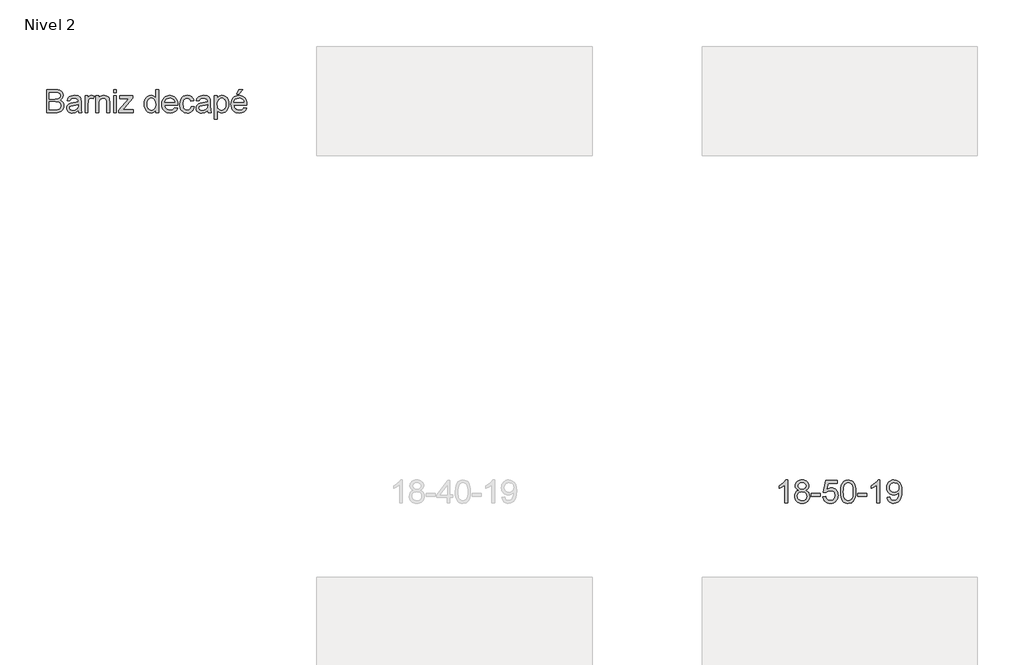
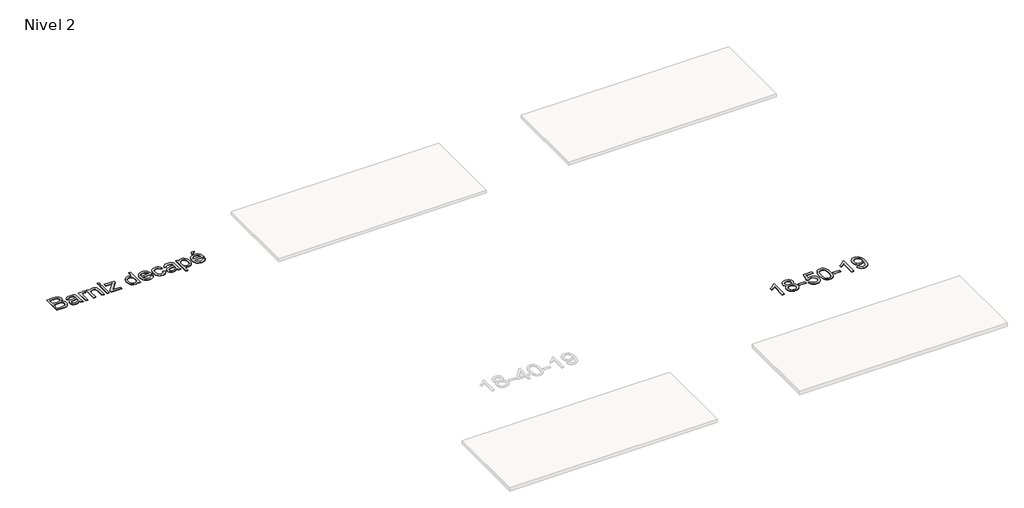
# One storey, part 14 of 51: 2 proxies.
"""IFC4 building model written with IfcOpenShell, lengths in millimetres."""

import ifcopenshell
import ifcopenshell.guid

model = None  # the IFC model being written
_history = None  # IfcOwnerHistory: only IFC2X3 demands one
_inside = {}  # id of a spatial element -> (the spatial element, [elements in it])
_under = {}  # id of a project, library or spatial element -> (it, [spatial elements below it])
_declared = {}  # id of a project -> (the project, [libraries it declares])
_typed = {}  # id of a type object -> (the type object, [elements of that type])
_made_of = {}  # id of a material, layer set ... -> (it, [elements and type objects made of it])


def new_model(schema):
    """Start an empty IFC model of exactly this schema.

    Asked for "IFC4X3", IfcOpenShell would pick the latest addendum, in which some entities
    have other attributes; the version numbers below select the first issue.
    IFC2X3 requires an IfcOwnerHistory on every rooted entity: one is made here for all.
    """
    global model, _history
    if schema == "IFC4X3":
        model = ifcopenshell.file(schema_version=(4, 3, 0, 0))
    else:
        model = ifcopenshell.file(schema=schema)
    _inside.clear()
    _under.clear()
    _declared.clear()
    _typed.clear()
    _made_of.clear()
    _history = None
    if model.schema == "IFC2X3":
        org = make("IfcOrganization", Name="unknown")
        user = make(
            "IfcPersonAndOrganization",
            ThePerson=make("IfcPerson", FamilyName="unknown"),
            TheOrganization=org,
        )
        app = make(
            "IfcApplication",
            ApplicationDeveloper=org,
            Version="unknown",
            ApplicationFullName="unknown",
            ApplicationIdentifier="unknown",
        )
        _history = make(
            "IfcOwnerHistory",
            OwningUser=user,
            OwningApplication=app,
            ChangeAction="ADDED",
            CreationDate=0,
        )
    return model


def make(cls, **values):
    """One entity of the class cls with the attributes given. An attribute that is None is left unset."""
    return model.create_entity(
        cls, **{name: value for name, value in values.items() if value is not None}
    )


def rooted(cls, **values):
    """An entity with a GlobalId (a new one), such as an element, a storey or a relation."""
    return make(cls, GlobalId=ifcopenshell.guid.new(), OwnerHistory=_history, **values)


def si_unit(unit_type, name, prefix=None):
    """IfcSIUnit, for example si_unit("LENGTHUNIT", "METRE", prefix="MILLI")."""
    return make("IfcSIUnit", UnitType=unit_type, Prefix=prefix, Name=name)


def assignment(units):
    """IfcUnitAssignment: the units of a project."""
    return None if units is None else make("IfcUnitAssignment", Units=units)


def point(xyz):
    """IfcCartesianPoint."""
    return None if xyz is None else make("IfcCartesianPoint", Coordinates=xyz)


def direction(xyz):
    """IfcDirection."""
    return None if xyz is None else make("IfcDirection", DirectionRatios=xyz)


def frame(location, z_axis=None, x_axis=None):
    """IfcAxis2Placement3D, a coordinate frame: its origin and axes. An axis left out is left unset."""
    return make(
        "IfcAxis2Placement3D",
        Location=point(location),
        Axis=direction(z_axis),
        RefDirection=direction(x_axis),
    )


def origin():
    """The frame at (0, 0, 0) with its axes left unset."""
    return frame((0.0, 0.0, 0.0))


def place(relative_to, where):
    """IfcLocalPlacement: puts the frame where relative to a parent placement (None: the world)."""
    return make(
        "IfcLocalPlacement", PlacementRelTo=relative_to, RelativePlacement=where
    )


def context(
    kind, dimensions, precision=None, world=None, true_north=None, identifier=None
):
    """IfcGeometricRepresentationContext, for example the 3D "Model" context."""
    return make(
        "IfcGeometricRepresentationContext",
        ContextIdentifier=identifier,
        ContextType=kind,
        CoordinateSpaceDimension=dimensions,
        Precision=precision,
        WorldCoordinateSystem=world,
        TrueNorth=true_north,
    )


def project(units=None, contexts=None):
    """IfcProject with its units and contexts."""
    return rooted(
        "IfcProject",
        Name="project",
        RepresentationContexts=contexts,
        UnitsInContext=assignment(units),
    )


def spatial(cls, under=None, at=None, **own):
    """A site, building, storey or space (cls), placed at a placement, below another one or the project."""
    s = rooted(cls, ObjectPlacement=at, **own)
    if under is not None:
        _under.setdefault(under.id(), (under, []))[1].append(s)
    return s


def polyline(points):
    """IfcPolyline through the points."""
    return make("IfcPolyline", Points=[point(p) for p in points])


def outline(outer, holes=None, kind="AREA"):
    """IfcArbitraryClosedProfileDef: a profile drawn as a closed curve; with holes, ...WithVoids."""
    if holes is None:
        return make("IfcArbitraryClosedProfileDef", ProfileType=kind, OuterCurve=outer)
    return make(
        "IfcArbitraryProfileDefWithVoids",
        ProfileType=kind,
        OuterCurve=outer,
        InnerCurves=holes,
    )


def extrude(swept, where, along, depth):
    """IfcExtrudedAreaSolid: the profile swept, set in the frame where, extruded along a direction by depth."""
    return make(
        "IfcExtrudedAreaSolid",
        SweptArea=swept,
        Position=where,
        ExtrudedDirection=direction(along),
        Depth=depth,
    )


def shape(context_of_items, identifier, shape_type, items):
    """IfcShapeRepresentation: the items that make up one representation, for example the "Body"."""
    return make(
        "IfcShapeRepresentation",
        ContextOfItems=context_of_items,
        RepresentationIdentifier=identifier,
        RepresentationType=shape_type,
        Items=items,
    )


def made_of(thing, what):
    """Note that an element or type object is made of a material, layer set ...; save() writes the relation."""
    if what is not None:
        _made_of.setdefault(what.id(), (what, []))[1].append(thing)
    return thing


def element(
    cls,
    number,
    at=None,
    inside=None,
    cuts=None,
    type_object=None,
    material=None,
    context=None,
    identifier="Body",
    shape_type=None,
    held_by="IfcProductDefinitionShape",
    body=None,
    shapes=None,
    **own,
):
    """One element of the class cls, such as IfcWall. Its Tag is "e" and its number.

    at: its placement. inside: the storey or other place that contains it. cuts: it is an
    opening in that element (IfcRelVoidsElement). A single representation is given by context,
    identifier, shape_type and body (its items); several are given by shapes. held_by: the class
    of the entity that holds the representations. save() writes the other relations.
    """
    e = rooted(cls, Tag="e%d" % number, ObjectPlacement=at, **own)
    if body is not None:
        shapes = [shape(context, identifier, shape_type, body)]
    if shapes is not None:
        e.Representation = make(held_by, Representations=shapes)
    if inside is not None:
        _inside.setdefault(inside.id(), (inside, []))[1].append(e)
    if cuts is not None:
        rooted(
            "IfcRelVoidsElement", RelatingBuildingElement=cuts, RelatedOpeningElement=e
        )
    if type_object is not None:
        _typed.setdefault(type_object.id(), (type_object, []))[1].append(e)
    return made_of(e, material)


def aggregate(whole, parts):
    """IfcRelAggregates: a whole, such as a stair, and the parts it consists of."""
    return rooted("IfcRelAggregates", RelatingObject=whole, RelatedObjects=parts)


def save(model, path):
    """Write the relations noted so far, then the file.

    IfcRelAggregates (storeys below a building ...), IfcRelContainedInSpatialStructure (elements
    in a storey), IfcRelDefinesByType, IfcRelAssociatesMaterial and IfcRelDeclares: one each for
    every whole, place, type object, material and project.
    """
    for whole, parts in _under.values():
        aggregate(whole, parts)
    for where, things in _inside.values():
        rooted(
            "IfcRelContainedInSpatialStructure",
            RelatedElements=things,
            RelatingStructure=where,
        )
    for kind, things in _typed.values():
        rooted("IfcRelDefinesByType", RelatedObjects=things, RelatingType=kind)
    for what, things in _made_of.values():
        rooted("IfcRelAssociatesMaterial", RelatedObjects=things, RelatingMaterial=what)
    for by, libraries in _declared.values():
        rooted("IfcRelDeclares", RelatingContext=by, RelatedDefinitions=libraries)
    model.write(path)


model = new_model("IFC4")

# Units and contexts
model_context = context("Model", 3, world=origin())
ifc_project = project(units=[si_unit("LENGTHUNIT", "METRE", prefix="MILLI")], contexts=[model_context])

# Site, building, storey
site = spatial("IfcSite", under=ifc_project)
building = spatial("IfcBuilding", under=site)
storey = spatial("IfcBuildingStorey", under=building, Name="Nivel 2", Elevation=3000.0)

# Proxies
placement = place(None, origin())
element("IfcBuildingElementProxy", 1, Name="Texto de modelo 1", ObjectType="Texto de modelo 1", at=placement, inside=storey, context=model_context, shape_type="SweptSolid", body=[
    extrude(outline(polyline([(-14807.4966963, -9438.7825352), (-14807.4966963, -9036.9572946), (-14654.1634807, -9036.9572946), (-14611.9919413, -9039.9126133), (-14579.0665027, -9048.7785694), (-14553.8297979, -9063.7758921), (-14534.7244596, -9085.1253105), (-14522.6947183, -9110.2393881), (-14518.6848046, -9136.530688), (-14522.0570562, -9160.7250605), (-14532.1738111, -9183.4724306), (-14549.1086456, -9203.3748465), (-14572.9351361, -9219.0343568), (-14544.4733324, -9233.8967894), (-14523.4427451, -9256.5092694), (-14510.4565106, -9285.3757432), (-14506.1277658, -9319.0001576), (-14509.0830845, -9347.0205029), (-14517.9490406, -9373.0052345), (-14531.1805297, -9395.1026797), (-14547.2324474, -9411.4611657), (-14566.8896087, -9423.306966), (-14590.9368284, -9431.8663537), (-14620.1589216, -9437.0534899), (-14655.3407031, -9438.7825352), (-14807.4966963, -9438.7825352)]), holes=[polyline([(-14757.2685412, -9200.1987986), (-14665.5432971, -9200.1987986), (-14611.9796786, -9195.8823166), (-14593.2299595, -9188.4388375), (-14579.7532158, -9177.2920131), (-14571.6230237, -9162.6135215), (-14568.9129597, -9144.575041), (-14571.4390827, -9127.063858), (-14579.0174518, -9111.8090179), (-14591.3047104, -9099.901904), (-14607.9575021, -9092.4338995), (-14633.513038, -9088.4975622), (-14672.5085295, -9087.1854497), (-14757.2685412, -9087.1854497), (-14757.2685412, -9200.1987986)]), polyline([(-14757.2685412, -9388.5543802), (-14654.2615825, -9388.5543802), (-14616.9828737, -9386.5923429), (-14585.443124, -9375.6539849), (-14573.8671039, -9366.2239431), (-14564.5474267, -9353.3358105), (-14558.4037973, -9337.5659356), (-14556.3559209, -9319.4906669), (-14558.7594166, -9298.4968677), (-14565.9699037, -9280.4461245), (-14578.5637307, -9266.3317186), (-14597.117246, -9257.1469315), (-14623.3962831, -9252.1069482), (-14659.1666758, -9250.4269537), (-14757.2685412, -9250.4269537), (-14757.2685412, -9388.5543802)])]), frame((0.0, 0.0, 3000.0), z_axis=(0.0, 0.0, 1.0), x_axis=(1.0, 0.0, 0.0)), (0.0, 0.0, 1.0), 10.0),
    extrude(outline(polyline([(-14254.9869904, -9401.1114189), (-14278.9851593, -9421.6882852), (-14303.6945666, -9435.1527662), (-14329.6792982, -9442.5839825), (-14357.5034398, -9445.0610546), (-14379.8675994, -9443.5711325), (-14399.4787754, -9439.1013663), (-14416.3369678, -9431.6517559), (-14430.4421767, -9421.2223013), (-14441.5798041, -9408.4751902), (-14449.5352522, -9394.0726101), (-14454.3085211, -9378.014561), (-14455.8996107, -9360.3010429), (-14453.496115, -9339.478922), (-14446.2856279, -9320.5697875), (-14435.1633289, -9304.3829797), (-14421.0243976, -9291.727839), (-14404.4083942, -9282.1629072), (-14385.8548789, -9275.2467256), (-14342.3957525, -9267.692882), (-14291.039426, -9259.7466309), (-14255.281296, -9250.4269537), (-14254.9869904, -9239.2433411), (-14258.4450812, -9216.8270648), (-14268.8193535, -9202.1608359), (-14292.0204446, -9191.2715289), (-14324.3450093, -9187.6417599), (-14354.2660782, -9190.0575183), (-14375.1617755, -9197.3047936), (-14389.4110715, -9210.707961), (-14399.3929363, -9231.5913956), (-14449.6210914, -9225.3128762), (-14440.9022881, -9197.8443539), (-14427.8915282, -9176.2619435), (-14409.3748011, -9159.7563046), (-14384.1380962, -9147.5180969), (-14353.2727968, -9139.9397278), (-14317.8702862, -9137.4136048), (-14283.914778, -9139.6454222), (-14256.9980787, -9146.3408745), (-14236.7032553, -9156.4085785), (-14222.6133749, -9168.7571508), (-14213.2691722, -9184.0242536), (-14207.211382, -9202.847549), (-14204.7588354, -9246.7971847), (-14204.7588354, -9309.2880729), (-14202.2081869, -9396.5496822), (-14192.2017966, -9438.7825352), (-14242.4299517, -9438.7825352), (-14250.4743046, -9421.3204032), (-14254.9869904, -9401.1114189)]), holes=[polyline([(-14254.9869904, -9300.6551088), (-14288.7340321, -9309.0182928), (-14336.0191312, -9316.0571016), (-14379.2330029, -9324.1995565), (-14390.4779293, -9329.7668373), (-14398.8043251, -9337.4433083), (-14403.954673, -9346.6403582), (-14405.6714557, -9356.7693758), (-14401.9313221, -9371.7053848), (-14390.7109212, -9383.9435925), (-14372.2555078, -9392.1105728), (-14346.8103364, -9394.8328995), (-14319.8323235, -9391.8285299), (-14295.9935702, -9382.815421), (-14276.6675027, -9369.534881), (-14263.2275471, -9353.728218), (-14257.2678588, -9337.4433083), (-14255.281296, -9314.8798793), (-14254.9869904, -9300.6551088)])]), frame((0.0, 0.0, 3000.0), z_axis=(0.0, 0.0, 1.0), x_axis=(1.0, 0.0, 0.0)), (0.0, 0.0, 1.0), 10.0),
    extrude(outline(polyline([(-14135.6951221, -9438.7825352), (-14135.6951221, -9143.6921242), (-14091.7454865, -9143.6921242), (-14091.7454865, -9187.3474543), (-14075.5096277, -9162.037173), (-14060.5490933, -9147.1256895), (-14045.5395079, -9139.841626), (-14029.1564963, -9137.4136048), (-14004.1405207, -9141.2886285), (-13978.7321375, -9152.9136995), (-13995.5075565, -9197.9424557), (-14013.1658923, -9190.2169338), (-14030.824228, -9187.6417599), (-14045.8215507, -9190.118832), (-14059.2247181, -9197.5500483), (-14070.0527115, -9209.371323), (-14077.3245122, -9225.0185706), (-14083.4313534, -9253.0757041), (-14085.4669671, -9283.6834861), (-14085.4669671, -9438.7825352), (-14135.6951221, -9438.7825352)])), frame((0.0, 0.0, 3000.0), z_axis=(0.0, 0.0, 1.0), x_axis=(1.0, 0.0, 0.0)), (0.0, 0.0, 1.0), 10.0),
    extrude(outline(polyline([(-13947.3395406, -9438.7825352), (-13947.3395406, -9143.6921242), (-13897.1113855, -9143.6921242), (-13897.1113855, -9184.8949076), (-13879.6615162, -9164.1218376), (-13858.7045052, -9149.2839305), (-13834.2403526, -9140.3811862), (-13806.2690582, -9137.4136048), (-13781.5105999, -9139.8048378), (-13758.8368063, -9146.9785367), (-13739.9276717, -9158.039522), (-13726.4631907, -9172.0926142), (-13717.3274545, -9189.1010251), (-13711.4045544, -9209.0279665), (-13708.755804, -9257.5883899), (-13708.755804, -9438.7825352), (-13758.9839591, -9438.7825352), (-13758.9839591, -9264.3574186), (-13760.4309616, -9238.3849497), (-13764.7719691, -9219.9172736), (-13772.7795339, -9206.6857845), (-13785.2262081, -9196.4218768), (-13801.1800239, -9189.8367891), (-13819.7090138, -9187.6417599), (-13849.1273106, -9192.5713786), (-13874.2046, -9207.3602348), (-13884.2263187, -9219.4328956), (-13891.3846891, -9235.9324031), (-13895.6797114, -9256.8587573), (-13897.1113855, -9282.2119581), (-13897.1113855, -9438.7825352), (-13947.3395406, -9438.7825352)])), frame((0.0, 0.0, 3000.0), z_axis=(0.0, 0.0, 1.0), x_axis=(1.0, 0.0, 0.0)), (0.0, 0.0, 1.0), 10.0),
    extrude(outline(polyline([(-13639.6920908, -9087.1854497), (-13639.6920908, -9036.9572946), (-13589.4639357, -9036.9572946), (-13589.4639357, -9087.1854497), (-13639.6920908, -9087.1854497)])), frame((0.0, 0.0, 3000.0), z_axis=(0.0, 0.0, 1.0), x_axis=(1.0, 0.0, 0.0)), (0.0, 0.0, 1.0), 10.0),
    extrude(outline(polyline([(-13639.6920908, -9438.7825352), (-13639.6920908, -9143.6921242), (-13589.4639357, -9143.6921242), (-13589.4639357, -9438.7825352), (-13639.6920908, -9438.7825352)])), frame((0.0, 0.0, 3000.0), z_axis=(0.0, 0.0, 1.0), x_axis=(1.0, 0.0, 0.0)), (0.0, 0.0, 1.0), 10.0),
    extrude(outline(polyline([(-13545.5143, -9438.7825352), (-13545.5143, -9391.4974361), (-13372.1683039, -9193.9202792), (-13423.4755795, -9193.9202792), (-13532.9572612, -9193.9202792), (-13532.9572612, -9143.6921242), (-13300.652044, -9143.6921242), (-13300.652044, -9186.3664356), (-13454.3776671, -9361.674469), (-13477.9221148, -9388.5543802), (-13419.8458105, -9388.5543802), (-13294.3735246, -9388.5543802), (-13294.3735246, -9438.7825352), (-13545.5143, -9438.7825352)])), frame((0.0, 0.0, 3000.0), z_axis=(0.0, 0.0, 1.0), x_axis=(1.0, 0.0, 0.0)), (0.0, 0.0, 1.0), 10.0),
    extrude(outline(polyline([(-12905.1053228, -9438.7825352), (-12905.1053228, -9391.3993343), (-12920.1333023, -9414.8763369), (-12938.3373297, -9431.6456245), (-12959.717405, -9441.7071971), (-12984.2735282, -9445.0610546), (-13016.7452456, -9440.2050123), (-13046.4701108, -9425.6368853), (-13071.6332393, -9402.3744804), (-13090.4197465, -9371.4356047), (-13102.118394, -9334.0710567), (-13106.0179431, -9291.5316353), (-13102.4249623, -9249.5195115), (-13091.6460198, -9211.578615), (-13073.6933785, -9179.867187), (-13048.5793009, -9156.5434685), (-13018.2045109, -9142.1960707), (-12984.4697319, -9137.4136048), (-12959.8952146, -9140.8349073), (-12938.1656514, -9151.098815), (-12919.7470262, -9166.8319017), (-12905.1053228, -9186.6607412), (-12905.1053228, -9036.9572946), (-12854.8771677, -9036.9572946), (-12854.8771677, -9438.7825352), (-12905.1053228, -9438.7825352)]), holes=[polyline([(-13055.789788, -9291.3354316), (-13054.3734424, -9315.6922853), (-13050.1244053, -9336.768858), (-13043.0426769, -9354.5651495), (-13033.1282571, -9369.0811599), (-13008.4311125, -9388.3949646), (-12994.5558299, -9393.2234158), (-12979.6627405, -9394.8328995), (-12964.6991403, -9393.2969922), (-12950.9066312, -9388.6892702), (-12926.834886, -9370.2583823), (-12917.3282021, -9356.3493772), (-12910.5377136, -9339.1968791), (-12905.1053228, -9295.1614043), (-12910.6358155, -9247.0179139), (-12917.5489313, -9228.4827927), (-12927.2272935, -9213.6387542), (-12938.9290066, -9202.2650692), (-12951.9121753, -9194.1410084), (-12966.1767997, -9189.266572), (-12981.7228797, -9187.6417599), (-12996.9102747, -9189.2021927), (-13010.7855573, -9193.883491), (-13023.3487274, -9201.685655), (-13034.5997851, -9212.6086846), (-13043.8704114, -9226.8917031), (-13050.4922873, -9244.7738337), (-13055.789788, -9291.3354316)])]), frame((0.0, 0.0, 3000.0), z_axis=(0.0, 0.0, 1.0), x_axis=(1.0, 0.0, 0.0)), (0.0, 0.0, 1.0), 10.0),
    extrude(outline(polyline([(-12572.9324066, -9350.8832639), (-12523.6852702, -9357.1617832), (-12531.2360482, -9376.8863895), (-12541.4294451, -9394.2688138), (-12554.2654611, -9409.3090561), (-12569.744096, -9422.0071163), (-12587.7059344, -9432.0932143), (-12607.9915608, -9439.29757), (-12655.5341773, -9445.0610546), (-12686.6999136, -9442.5747855), (-12714.4688729, -9435.115978), (-12738.8410551, -9422.6846323), (-12759.8164602, -9405.2807482), (-12776.6838497, -9383.3887038), (-12788.731985, -9357.492877), (-12795.9608662, -9327.5932679), (-12798.3704933, -9293.6898763), (-12795.9363407, -9258.6368536), (-12788.6338831, -9227.7408973), (-12776.4631205, -9201.0020077), (-12759.4240527, -9178.4201845), (-12738.5038299, -9160.4798059), (-12714.6896021, -9147.6652497), (-12687.9813693, -9139.976516), (-12658.3791314, -9137.4136048), (-12629.730321, -9139.9703847), (-12603.8222315, -9147.6407243), (-12580.6548628, -9160.4246236), (-12560.2282151, -9178.3220827), (-12543.5539636, -9200.8548549), (-12531.643784, -9227.5446936), (-12524.4976763, -9258.3915989), (-12522.1156404, -9293.3955707), (-12522.409946, -9306.9336282), (-12748.1423382, -9306.9336282), (-12745.2330048, -9326.9770655), (-12739.4480604, -9344.5311681), (-12730.7875051, -9359.5959358), (-12719.2513388, -9372.1713686), (-12705.4772238, -9382.0857884), (-12690.1028221, -9389.1675168), (-12654.5531586, -9394.8328995), (-12627.8204003, -9392.2086746), (-12605.3060222, -9384.336), (-12587.0100243, -9370.7243661), (-12572.9324066, -9350.8832639)]), holes=[polyline([(-12748.1423382, -9256.7054731), (-12572.3437954, -9256.7054731), (-12579.1373496, -9230.1689185), (-12592.4546778, -9211.1862076), (-12606.1521508, -9200.8855117), (-12621.7380847, -9193.5278718), (-12639.2124794, -9189.1132878), (-12658.5753351, -9187.6417599), (-12692.4327414, -9192.3383867), (-12720.4285612, -9206.4282671), (-12739.8895188, -9228.3908222), (-12748.1423382, -9256.7054731)])]), frame((0.0, 0.0, 3000.0), z_axis=(0.0, 0.0, 1.0), x_axis=(1.0, 0.0, 0.0)), (0.0, 0.0, 1.0), 10.0),
    extrude(outline(polyline([(-12283.5319038, -9332.0477057), (-12233.3037487, -9338.3262251), (-12238.7667963, -9362.0270226), (-12247.30779, -9382.999362), (-12258.9267296, -9401.2432433), (-12273.6236154, -9416.7586665), (-12290.7791791, -9429.1409613), (-12309.7741527, -9437.9854576), (-12330.6085364, -9443.2921554), (-12353.28233, -9445.0610546), (-12381.4528938, -9442.5931796), (-12406.7110585, -9435.1895544), (-12429.056824, -9422.8501792), (-12448.4901904, -9405.5750538), (-12464.2202114, -9383.6891408), (-12475.4559406, -9357.5174025), (-12482.1973782, -9327.059839), (-12484.4445241, -9292.3164502), (-12480.6062886, -9247.6187878), (-12469.0915821, -9208.8808137), (-12449.7164637, -9177.5985814), (-12422.2969923, -9155.2681443), (-12389.4941811, -9141.8772397), (-12353.9690431, -9137.4136048), (-12331.6845912, -9138.9464464), (-12311.5277236, -9143.5449714), (-12293.4984401, -9151.2091796), (-12277.5967409, -9161.9390711), (-12264.092406, -9175.4893913), (-12253.2552156, -9191.6148854), (-12245.0851696, -9210.3155535), (-12239.5822681, -9231.5913956), (-12289.8104231, -9237.8699149), (-12298.9216339, -9215.9564108), (-12313.1096162, -9200.2478496), (-12331.5895551, -9190.7932823), (-12353.5766356, -9187.6417599), (-12370.6432945, -9189.1929956), (-12386.0360903, -9193.8467028), (-12399.7550231, -9201.6028816), (-12411.8000927, -9212.4615318), (-12421.6072136, -9226.6740396), (-12428.6122999, -9244.4917909), (-12432.8153517, -9265.9147857), (-12434.216369, -9290.9430241), (-12428.7349273, -9338.0196568), (-12421.8831251, -9355.9569697), (-12412.2906021, -9370.1602804), (-12400.4846557, -9380.9545513), (-12386.9925835, -9388.6647448), (-12371.8143856, -9393.2908608), (-12354.9500618, -9394.8328995), (-12328.9408047, -9390.9824013), (-12307.6159117, -9379.4309067), (-12292.1035542, -9359.88411), (-12283.5319038, -9332.0477057)])), frame((0.0, 0.0, 3000.0), z_axis=(0.0, 0.0, 1.0), x_axis=(1.0, 0.0, 0.0)), (0.0, 0.0, 1.0), 10.0),
    extrude(outline(polyline([(-12000.9985315, -9401.1114189), (-12024.9967003, -9421.6882852), (-12049.7061076, -9435.1527662), (-12075.6908392, -9442.5839825), (-12103.5149808, -9445.0610546), (-12125.8791404, -9443.5711325), (-12145.4903164, -9439.1013663), (-12162.3485089, -9431.6517559), (-12176.4537177, -9421.2223013), (-12187.5913451, -9408.4751902), (-12195.5467932, -9394.0726101), (-12200.3200621, -9378.014561), (-12201.9111518, -9360.3010429), (-12199.5076561, -9339.478922), (-12192.297169, -9320.5697875), (-12181.17487, -9304.3829797), (-12167.0359386, -9291.727839), (-12150.4199352, -9282.1629072), (-12131.8664199, -9275.2467256), (-12088.4072935, -9267.692882), (-12037.050967, -9259.7466309), (-12001.2928371, -9250.4269537), (-12000.9985315, -9239.2433411), (-12004.4566222, -9216.8270648), (-12014.8308945, -9202.1608359), (-12038.0319856, -9191.2715289), (-12070.3565503, -9187.6417599), (-12100.2776192, -9190.0575183), (-12121.1733166, -9197.3047936), (-12135.4226125, -9210.707961), (-12145.4044773, -9231.5913956), (-12195.6326324, -9225.3128762), (-12186.9138291, -9197.8443539), (-12173.9030692, -9176.2619435), (-12155.3863421, -9159.7563046), (-12130.1496372, -9147.5180969), (-12099.2843378, -9139.9397278), (-12063.8818272, -9137.4136048), (-12029.926319, -9139.6454222), (-12003.0096197, -9146.3408745), (-11982.7147963, -9156.4085785), (-11968.6249159, -9168.7571508), (-11959.2807132, -9184.0242536), (-11953.222923, -9202.847549), (-11950.7703764, -9246.7971847), (-11950.7703764, -9309.2880729), (-11948.2197279, -9396.5496822), (-11938.2133376, -9438.7825352), (-11988.4414927, -9438.7825352), (-11996.4858457, -9421.3204032), (-12000.9985315, -9401.1114189)]), holes=[polyline([(-12000.9985315, -9300.6551088), (-12034.7455732, -9309.0182928), (-12082.0306723, -9316.0571016), (-12125.244544, -9324.1995565), (-12136.4894703, -9329.7668373), (-12144.8158661, -9337.4433083), (-12149.966214, -9346.6403582), (-12151.6829967, -9356.7693758), (-12147.9428631, -9371.7053848), (-12136.7224622, -9383.9435925), (-12118.2670488, -9392.1105728), (-12092.8218775, -9394.8328995), (-12065.8438645, -9391.8285299), (-12042.0051112, -9382.815421), (-12022.6790437, -9369.534881), (-12009.2390882, -9353.728218), (-12003.2793998, -9337.4433083), (-12001.2928371, -9314.8798793), (-12000.9985315, -9300.6551088)])]), frame((0.0, 0.0, 3000.0), z_axis=(0.0, 0.0, 1.0), x_axis=(1.0, 0.0, 0.0)), (0.0, 0.0, 1.0), 10.0),
    extrude(outline(polyline([(-11881.7066632, -9551.7958842), (-11881.7066632, -9143.6921242), (-11831.4785081, -9143.6921242), (-11831.4785081, -9192.9392606), (-11815.0954966, -9168.6467862), (-11796.7504477, -9151.2950187), (-11775.3642411, -9140.8839583), (-11749.8577561, -9137.4136048), (-11715.8899852, -9142.2696471), (-11686.1896455, -9156.8377741), (-11662.0075356, -9180.235069), (-11644.5944545, -9211.578615), (-11634.0730295, -9248.5875437), (-11630.5658878, -9288.9809868), (-11634.5267506, -9331.9373411), (-11646.409339, -9370.3564841), (-11665.8335084, -9402.2886413), (-11692.4191139, -9425.7840381), (-11723.3825152, -9440.2418005), (-11755.9400717, -9445.0610546), (-11779.0307983, -9441.8359558), (-11799.6444528, -9432.1606593), (-11817.2905258, -9417.5557441), (-11831.4785081, -9399.5417891), (-11831.4785081, -9551.7958842), (-11881.7066632, -9551.7958842)]), holes=[polyline([(-11831.4785081, -9293.5917745), (-11826.0461173, -9338.6205307), (-11819.2556288, -9356.0581373), (-11809.7489449, -9370.1112295), (-11785.7017252, -9388.652482), (-11771.9398728, -9393.2877952), (-11757.0191923, -9394.8328995), (-11741.8839138, -9393.2326129), (-11727.8706755, -9388.4317528), (-11714.9794773, -9380.4303194), (-11703.2103191, -9369.2283127), (-11693.4031982, -9354.666317), (-11686.3981119, -9336.584917), (-11682.1950601, -9314.9841125), (-11680.7940429, -9289.8639036), (-11686.2632219, -9245.080402), (-11693.0996956, -9227.5079054), (-11702.6707588, -9213.1482449), (-11726.6811904, -9194.0183811), (-11740.2866928, -9189.2359152), (-11754.9590531, -9187.6417599), (-11769.5854281, -9189.3370827), (-11783.3472804, -9194.4230513), (-11808.2774169, -9214.7669256), (-11818.4278943, -9229.8654159), (-11825.6782353, -9248.0357207), (-11830.0284399, -9269.2778403), (-11831.4785081, -9293.5917745)])]), frame((0.0, 0.0, 3000.0), z_axis=(0.0, 0.0, 1.0), x_axis=(1.0, 0.0, 0.0)), (0.0, 0.0, 1.0), 10.0),
    extrude(outline(polyline([(-11492.4384613, -9112.2995273), (-11454.767345, -9036.9572946), (-11391.9821512, -9036.9572946), (-11454.767345, -9112.2995273), (-11492.4384613, -9112.2995273)])), frame((0.0, 0.0, 3000.0), z_axis=(0.0, 0.0, 1.0), x_axis=(1.0, 0.0, 0.0)), (0.0, 0.0, 1.0), 10.0),
    extrude(outline(polyline([(-11367.4566848, -9350.8832639), (-11318.2095484, -9357.1617832), (-11325.7603264, -9376.8863895), (-11335.9537233, -9394.2688138), (-11348.7897393, -9409.3090561), (-11364.2683742, -9422.0071163), (-11382.2302126, -9432.0932143), (-11402.515839, -9439.29757), (-11450.0584555, -9445.0610546), (-11481.2241918, -9442.5747855), (-11508.9931511, -9435.115978), (-11533.3653333, -9422.6846323), (-11554.3407384, -9405.2807482), (-11571.2081279, -9383.3887038), (-11583.2562632, -9357.492877), (-11590.4851444, -9327.5932679), (-11592.8947715, -9293.6898763), (-11590.4606189, -9258.6368536), (-11583.1581613, -9227.7408973), (-11570.9873987, -9201.0020077), (-11553.9483309, -9178.4201845), (-11533.0281081, -9160.4798059), (-11509.2138803, -9147.6652497), (-11482.5056475, -9139.976516), (-11452.9034096, -9137.4136048), (-11424.2545992, -9139.9703847), (-11398.3465097, -9147.6407243), (-11375.1791411, -9160.4246236), (-11354.7524933, -9178.3220827), (-11338.0782418, -9200.8548549), (-11326.1680622, -9227.5446936), (-11319.0219545, -9258.3915989), (-11316.6399186, -9293.3955707), (-11316.9342242, -9306.9336282), (-11542.6666164, -9306.9336282), (-11539.757283, -9326.9770655), (-11533.9723386, -9344.5311681), (-11525.3117833, -9359.5959358), (-11513.775617, -9372.1713686), (-11500.001502, -9382.0857884), (-11484.6271003, -9389.1675168), (-11449.0774368, -9394.8328995), (-11422.3446785, -9392.2086746), (-11399.8303004, -9384.336), (-11381.5343025, -9370.7243661), (-11367.4566848, -9350.8832639)]), holes=[polyline([(-11542.6666164, -9256.7054731), (-11366.8680736, -9256.7054731), (-11373.6616278, -9230.1689185), (-11386.978956, -9211.1862076), (-11400.676429, -9200.8855117), (-11416.2623629, -9193.5278718), (-11433.7367576, -9189.1132878), (-11453.0996133, -9187.6417599), (-11486.9570196, -9192.3383867), (-11514.9528394, -9206.4282671), (-11534.413797, -9228.3908222), (-11542.6666164, -9256.7054731)])]), frame((0.0, 0.0, 3000.0), z_axis=(0.0, 0.0, 1.0), x_axis=(1.0, 0.0, 0.0)), (0.0, 0.0, 1.0), 10.0),
])
element("IfcBuildingElementProxy", 2, Name="Texto de modelo 1", ObjectType="Texto de modelo 1", at=placement, inside=storey, context=model_context, shape_type="SweptSolid", body=[
    extrude(outline(polyline([(-1890.325065, -16247.1632381), (-1940.5532201, -16247.1632381), (-1940.5532201, -15934.0220838), (-1961.5224938, -15950.9814438), (-1988.1326248, -15967.9162783), (-2041.0095302, -15993.2756105), (-2041.0095302, -15945.7943077), (-2001.5603176, -15924.3345246), (-1967.3840803, -15898.8035142), (-1940.4428555, -15871.6538229), (-1922.6986806, -15845.3379975), (-1890.325065, -15845.3379975), (-1890.325065, -16247.1632381)])), frame((0.0, 0.0, 3000.0), z_axis=(0.0, 0.0, 1.0), x_axis=(1.0, 0.0, 0.0)), (0.0, 0.0, 1.0), 10.0),
    extrude(outline(polyline([(-1697.8492051, -16025.8454298), (-1724.741379, -16012.601678), (-1743.6137253, -15994.6490366), (-1754.7605498, -15972.3553877), (-1758.4761579, -15946.0886133), (-1756.4528069, -15925.6037175), (-1750.382754, -15906.8233417), (-1740.2659992, -15889.7474857), (-1726.1025423, -15874.3761497), (-1708.5729653, -15861.6719581), (-1688.3578496, -15852.5975356), (-1665.4571954, -15847.152882), (-1639.8710027, -15845.3379975), (-1614.1621826, -15847.1958016), (-1591.0898501, -15852.7692138), (-1570.6540053, -15862.0582342), (-1552.8546481, -15875.0628627), (-1538.4336739, -15890.7346357), (-1528.132978, -15908.0250895), (-1521.9525605, -15926.9342241), (-1519.8924213, -15947.4620394), (-1523.5589785, -15972.8826853), (-1534.5586502, -15994.7961894), (-1553.0140636, -16012.6384662), (-1579.0478461, -16025.8454298), (-1548.1334958, -16041.7747202), (-1525.6313804, -16065.2333288), (-1511.909382, -16095.0930841), (-1507.3353825, -16130.2258146), (-1509.6039882, -16155.2785785), (-1516.4098051, -16178.2466777), (-1527.7528333, -16199.1301123), (-1543.6330727, -16217.9288823), (-1563.2166576, -16233.4657652), (-1585.6697221, -16244.5635387), (-1610.9922661, -16251.2222028), (-1639.1842896, -16253.4417575), (-1667.3763132, -16251.2130058), (-1692.6988572, -16244.5267505), (-1715.1519216, -16233.3829917), (-1734.7355065, -16217.7817295), (-1750.615746, -16198.8511351), (-1761.9587741, -16177.7193802), (-1768.7645911, -16154.3864646), (-1771.0331967, -16128.8523885), (-1766.2752562, -16092.3584946), (-1752.0014348, -16062.3393238), (-1728.9474964, -16039.8249457), (-1697.8492051, -16025.8454298)]), holes=[polyline([(-1708.2480028, -15947.5601413), (-1703.7966307, -15969.4859082), (-1690.4425143, -15986.9970911), (-1668.578061, -15998.4750094), (-1638.5956784, -16002.3009821), (-1609.3122716, -15998.4995349), (-1587.7789122, -15987.095193), (-1574.5351603, -15970.1726212), (-1570.1205764, -15949.8164842), (-1574.6823131, -15928.6877949), (-1588.3675234, -15911.2134001), (-1610.1951884, -15899.4779645), (-1639.1842896, -15895.5661526), (-1668.3573318, -15899.3921254), (-1690.1482087, -15910.8700436), (-1703.7230543, -15927.6945135), (-1708.2480028, -15947.5601413)]), polyline([(-1720.8050416, -16127.0865549), (-1718.7081142, -16146.3022578), (-1712.4173321, -16164.904824), (-1700.8045238, -16181.12842), (-1682.7415178, -16193.2072122), (-1661.1100565, -16200.7120049), (-1638.7918822, -16203.2136024), (-1604.6033821, -16197.9528899), (-1590.7097054, -16191.3769993), (-1578.9497443, -16182.1707523), (-1562.9100893, -16158.2706854), (-1557.5635376, -16128.6561848), (-1563.0817676, -16098.5389121), (-1579.6364573, -16074.1115476), (-1591.7152495, -16064.6692431), (-1605.8787063, -16057.9247398), (-1640.4596139, -16052.5291372), (-1674.1698674, -16057.8511634), (-1687.9071942, -16064.5036962), (-1699.5659878, -16073.817242), (-1715.4952782, -16097.7786226), (-1720.8050416, -16127.0865549)])]), frame((0.0, 0.0, 3000.0), z_axis=(0.0, 0.0, 1.0), x_axis=(1.0, 0.0, 0.0)), (0.0, 0.0, 1.0), 10.0),
    extrude(outline(polyline([(-1475.9427856, -16127.8713698), (-1475.9427856, -16077.6432148), (-1318.979801, -16077.6432148), (-1318.979801, -16127.8713698), (-1475.9427856, -16127.8713698)])), frame((0.0, 0.0, 3000.0), z_axis=(0.0, 0.0, 1.0), x_axis=(1.0, 0.0, 0.0)), (0.0, 0.0, 1.0), 10.0),
    extrude(outline(polyline([(-1275.0301653, -16140.4284086), (-1224.8020103, -16134.1498892), (-1215.5804349, -16164.3039501), (-1199.491729, -16185.8986232), (-1176.6094689, -16198.8848576), (-1147.007231, -16203.2136024), (-1127.8773673, -16201.7083519), (-1111.0038464, -16197.1926005), (-1096.3866685, -16189.666348), (-1084.0258334, -16179.1295945), (-1074.1972528, -16166.1035062), (-1067.1768381, -16151.1092492), (-1061.5605063, -16115.2162292), (-1066.8212188, -16081.4201366), (-1073.3971095, -16067.5019344), (-1082.6033564, -16055.570295), (-1094.4706164, -16045.9992318), (-1109.0295464, -16039.1627581), (-1146.2224161, -16033.6935791), (-1170.5884669, -16035.8763456), (-1190.3192046, -16042.4246451), (-1206.0768167, -16052.4555608), (-1218.5234909, -16065.086176), (-1268.7516459, -16058.8076566), (-1224.8020103, -15851.6165169), (-1030.1679093, -15851.6165169), (-1030.1679093, -15901.844672), (-1184.187838, -15901.844672), (-1205.6721465, -16012.5035761), (-1187.9463657, -15999.7993846), (-1169.7913892, -15990.724962), (-1151.2072171, -15985.2803085), (-1132.1938493, -15983.465424), (-1107.7327623, -15985.7156355), (-1085.2643695, -15992.4662701), (-1064.7886708, -16003.7173278), (-1046.3056662, -16019.4688086), (-1031.0048409, -16038.7580879), (-1020.0756799, -16060.6225411), (-1013.5181834, -16085.0621683), (-1011.3323512, -16112.0769695), (-1013.3005199, -16138.0984893), (-1019.2050259, -16162.3051246), (-1029.0458693, -16184.6968754), (-1042.82305, -16205.2737416), (-1063.6942218, -16226.3472486), (-1088.0480099, -16241.3997535), (-1115.8844142, -16250.4312565), (-1147.2034347, -16253.4417575), (-1173.123787, -16251.5073114), (-1196.5364103, -16245.7039729), (-1217.4413047, -16236.0317421), (-1235.8384701, -16222.490619), (-1251.1454268, -16205.7550539), (-1262.7796949, -16186.4994971), (-1270.7412744, -16164.7239487), (-1275.0301653, -16140.4284086)])), frame((0.0, 0.0, 3000.0), z_axis=(0.0, 0.0, 1.0), x_axis=(1.0, 0.0, 0.0)), (0.0, 0.0, 1.0), 10.0),
    extrude(outline(polyline([(-967.3827155, -16049.4879794), (-963.6916328, -15985.1699439), (-952.6183848, -15933.874931), (-934.2733359, -15894.8181259), (-922.415273, -15879.5847456), (-908.7668509, -15867.2147135), (-893.2820846, -15857.6436503), (-875.9149888, -15850.8071765), (-835.5338084, -15845.3379975), (-804.5826699, -15848.5753591), (-776.8688929, -15858.2874438), (-753.6923272, -15874.0941068), (-736.3528225, -15895.6152035), (-723.2562235, -15922.6667929), (-712.8083748, -15955.064934), (-705.9657697, -15996.2064038), (-703.6849014, -16049.4879794), (-707.3391958, -16113.4381329), (-718.3020793, -16164.6105184), (-736.5367635, -16203.7041118), (-748.3672353, -16218.9834773), (-762.0064603, -16231.4178887), (-777.5096207, -16241.0533313), (-794.9318989, -16247.9357903), (-835.5338084, -16253.4417575), (-863.1985345, -16251.0505246), (-887.7240008, -16243.8768256), (-909.1102075, -16231.9206608), (-927.3571544, -16215.18203), (-944.8683374, -16184.9237359), (-957.3763252, -16147.2219628), (-964.8811179, -16102.0767106), (-967.3827155, -16049.4879794)]), holes=[polyline([(-917.1545604, -16049.3898775), (-915.6830324, -16093.0544047), (-911.2684485, -16128.3986674), (-903.9108086, -16155.4226656), (-893.6101127, -16174.1263994), (-881.1511758, -16186.8520507), (-867.3188128, -16195.9418017), (-852.1130237, -16201.3956523), (-835.5338084, -16203.2136024), (-818.9545932, -16201.3895209), (-803.748804, -16195.9172762), (-789.916441, -16186.7968684), (-777.4575041, -16174.0282975), (-767.1568083, -16155.2939069), (-759.7991683, -16128.27604), (-755.3845844, -16092.9746969), (-753.9130564, -16049.3898775), (-755.3355335, -16006.881113), (-759.6029646, -15972.159184), (-766.7153499, -15945.2240906), (-776.6726892, -15926.0758327), (-788.9231596, -15912.7278477), (-802.9149382, -15903.1935726), (-818.6480248, -15897.4730076), (-836.1224196, -15895.5661526), (-852.6157957, -15897.2461471), (-867.5640675, -15902.2861304), (-880.9672348, -15910.6861026), (-892.8252978, -15922.4460637), (-903.4693502, -15943.2927101), (-911.0722448, -15971.3988946), (-915.6339815, -16006.764617), (-917.1545604, -16049.3898775)])]), frame((0.0, 0.0, 3000.0), z_axis=(0.0, 0.0, 1.0), x_axis=(1.0, 0.0, 0.0)), (0.0, 0.0, 1.0), 10.0),
    extrude(outline(polyline([(-672.2923044, -16127.8713698), (-672.2923044, -16077.6432148), (-515.3293198, -16077.6432148), (-515.3293198, -16127.8713698), (-672.2923044, -16127.8713698)])), frame((0.0, 0.0, 3000.0), z_axis=(0.0, 0.0, 1.0), x_axis=(1.0, 0.0, 0.0)), (0.0, 0.0, 1.0), 10.0),
    extrude(outline(polyline([(-283.0241026, -16247.1632381), (-333.2522577, -16247.1632381), (-333.2522577, -15934.0220838), (-354.2215314, -15950.9814438), (-380.8316624, -15967.9162783), (-433.7085678, -15993.2756105), (-433.7085678, -15945.7943077), (-394.2593552, -15924.3345246), (-360.0831179, -15898.8035142), (-333.1418931, -15871.6538229), (-315.3977182, -15845.3379975), (-283.0241026, -15845.3379975), (-283.0241026, -16247.1632381)])), frame((0.0, 0.0, 3000.0), z_axis=(0.0, 0.0, 1.0), x_axis=(1.0, 0.0, 0.0)), (0.0, 0.0, 1.0), 10.0),
    extrude(outline(polyline([(-157.4537149, -16146.706928), (-107.2255598, -16140.4284086), (-98.6416466, -16168.9392632), (-84.6621308, -16188.3511698), (-65.6303689, -16199.4979943), (-41.8897175, -16203.2136024), (-20.58935, -16200.8223695), (-1.2264943, -16193.6486706), (14.8622116, -16182.4773207), (26.3401299, -16168.0931346), (42.7721923, -16124.4378045), (48.2168459, -16096.0373145), (50.0317304, -16066.1652965), (49.7374248, -16056.35511), (32.3366064, -16077.5941638), (9.5647109, -16094.4186337), (-16.9350555, -16105.3815172), (-45.5194865, -16109.0358117), (-69.3796996, -16106.8039942), (-91.3207949, -16100.1085419), (-111.3427725, -16088.9494547), (-129.4456323, -16073.3267327), (-144.4460207, -16054.0558475), (-155.1605838, -16031.952271), (-161.5893217, -16007.0160031), (-163.7322343, -15979.2470438), (-161.4850884, -15950.5522482), (-154.7436509, -15924.8005085), (-143.5079216, -15901.9918248), (-127.7779006, -15882.1261971), (-108.6633653, -15866.0313598), (-87.274093, -15854.5350474), (-63.6100836, -15847.63726), (-37.6713373, -15845.3379975), (-0.2086874, -15850.5864473), (33.8939735, -15866.3317967), (62.4170909, -15891.7892308), (83.1411099, -15926.1739346), (95.7594624, -15973.7042884), (99.9655798, -16038.5986723), (95.7717251, -16107.4048682), (83.1901609, -16160.5883419), (62.3312517, -16200.5525893), (48.8391796, -16216.4788141), (33.3053623, -16229.7011061), (16.0424997, -16240.0876411), (-2.6367086, -16247.5065947), (-44.2441623, -16253.4417575), (-66.8014599, -16251.6912524), (-87.1882538, -16246.4397369), (-105.404544, -16237.6872111), (-121.4503303, -16225.433675), (-134.9209427, -16210.0102223), (-145.4117109, -16191.7479469), (-152.922635, -16170.6468488), (-157.4537149, -16146.706928)]), holes=[polyline([(49.7374248, -15978.0698214), (44.3172967, -15944.0284741), (37.5421366, -15929.9508564), (28.0569125, -15917.8352761), (16.3276082, -15908.0925345), (2.8202077, -15901.1334335), (-29.5288825, -15895.5661526), (-47.1381673, -15897.0652717), (-63.0797204, -15901.5626291), (-77.3535418, -15909.0582248), (-89.9596315, -15919.5520587), (-100.2603274, -15932.4309942), (-107.6179673, -15947.0818947), (-112.0325512, -15963.5047601), (-113.5040792, -15981.6995904), (-107.9367984, -16012.7365681), (-100.9776973, -16025.8546269), (-91.2349558, -16037.372399), (-79.113244, -16046.7503242), (-65.0172323, -16053.4488422), (-30.9023086, -16058.8076566), (1.1892641, -16053.4488422), (27.0268429, -16037.372399), (36.9627225, -16025.6277663), (44.0597793, -16011.8291258), (49.7374248, -15978.0698214)])]), frame((0.0, 0.0, 3000.0), z_axis=(0.0, 0.0, 1.0), x_axis=(1.0, 0.0, 0.0)), (0.0, 0.0, 1.0), 10.0),
])

save(model, "model.ifc")
